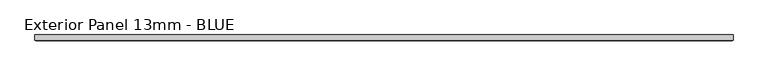
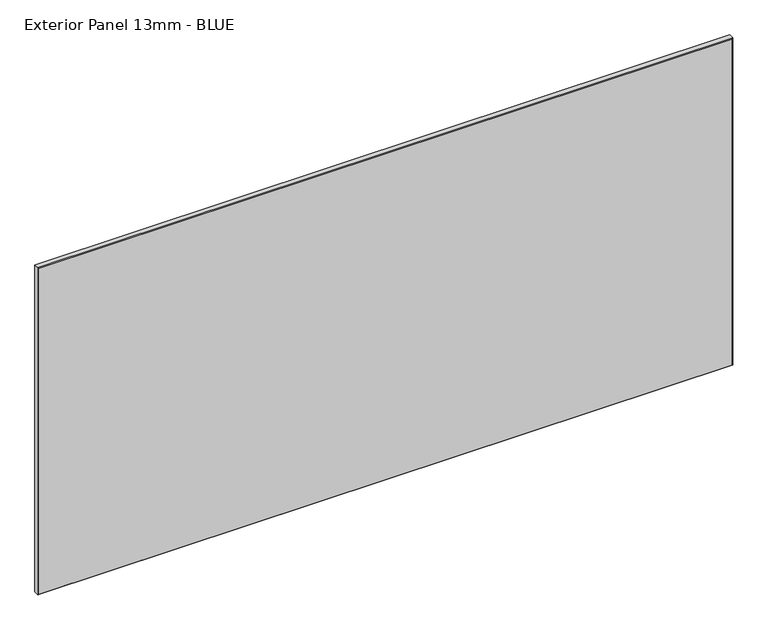
"""IFC4 building model written with IfcOpenShell, lengths in millimetres: proxy geometry, Exterior Panel 13mm - BLUE."""

from ifc_helpers import new_model, si_unit, origin, place, context, project, spatial, faceted_brep, source, transform, mapped, element, save


def exterior_panel_13mm_blue_f73d52bc(model_context):
    return source(origin(), model_context, "Body", "Brep", [
        faceted_brep([(1114.425, 6.35, 757.2375), (-406.4, 6.35, 757.2375), (-406.4, -4.7625, 757.2375), (1114.425, -4.7625, 757.2375), (1114.425, 6.35, 0.0), (1114.425, -4.7625, 0.0), (-406.4, -4.7625, 0.0), (-406.4, 6.35, 0.0), (-404.8125, -6.35, 755.65), (-404.8125, -6.35, 1.5875), (1112.8375, -6.35, 1.5875), (1112.8375, -6.35, 755.65)], [[[0, 1, 2, 3]], [[4, 5, 6, 7]], [[1, 0, 4, 7]], [[2, 1, 7, 6]], [[8, 9, 10, 11]], [[0, 3, 5, 4]], [[2, 6, 9, 8]], [[5, 3, 11, 10]], [[3, 2, 8, 11]], [[6, 5, 10, 9]]]),
    ])


if __name__ == "__main__":
    model = new_model("IFC4")
    model_context = context("Model", 3, world=origin())
    ifc_project = project(units=[si_unit("LENGTHUNIT", "METRE", prefix="MILLI")], contexts=[model_context])
    site = spatial("IfcSite", under=ifc_project)
    building = spatial("IfcBuilding", under=site)
    placement = place(None, origin())
    exterior_panel_13mm_blue_shape = exterior_panel_13mm_blue_f73d52bc(model_context)
    element("IfcBuildingElementProxy", 1, Name="Exterior Panel 13mm - BLUE", ObjectType="Exterior Panel 13mm - BLUE", at=placement, inside=building, context=model_context, shape_type="MappedRepresentation", body=[
        mapped(exterior_panel_13mm_blue_shape, transform((0.0, 0.0, 0.0), x_axis=(1.0, 0.0, 0.0), y_axis=(0.0, 1.0, 0.0), z_axis=(0.0, 0.0, 1.0))),
    ])
    save(model, "model.ifc")
